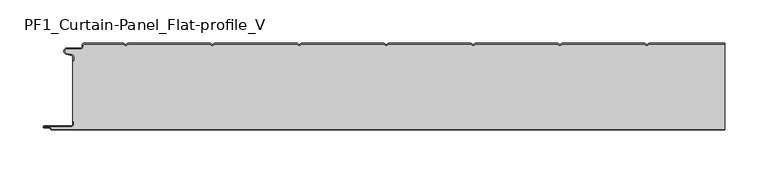
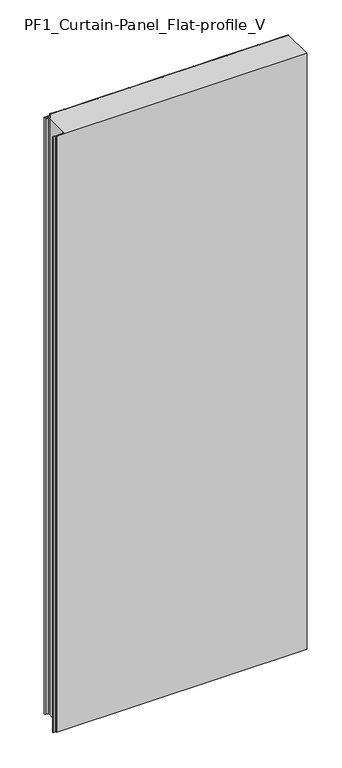
"""IFC4 building model written with IfcOpenShell, lengths in millimetres: plate geometry, PF1_Curtain-Panel_Flat-profile_V."""

from ifc_helpers import new_model, si_unit, point, frame_2d, origin, origin_with_axes, place, context, project, spatial, polyline, circle_curve, trimmed, segment, composite_curve, outline, extrude, source, transform, mapped, element, save


def pf1_curtain_panel_flat_profile_v_80dd7b72(model_context):
    return source(origin(), model_context, "Body", "SweptSolid", [
        extrude(outline(composite_curve([segment(trimmed(circle_curve(frame_2d((-377.0119739, -15.878557)), 2.0), [point((-375.0119739, -15.878557))], [point((-376.5620718, -13.9298169))], True, "CARTESIAN"), True, "CONTINUOUS"), segment(polyline([(-376.5620718, -13.9298169), (-382.7217978, -12.507732)]), True, "CONTINUOUS"), segment(trimmed(circle_curve(frame_2d((-381.9119739, -9.0)), 3.6), [point((-382.7217978, -12.507732))], [point((-381.9119739, -5.4))], False, "CARTESIAN"), True, "CONTINUOUS"), segment(polyline([(-381.9119739, -5.4), (-366.4119739, -5.4)]), True, "CONTINUOUS"), segment(trimmed(circle_curve(frame_2d((-366.4119739, -3.4)), 2.0), [point((-366.4119739, -5.4))], [point((-364.4119739, -3.4))], True, "CARTESIAN"), True, "CONTINUOUS"), segment(polyline([(-364.4119739, -3.4), (-364.4119739, -2.0)]), True, "CONTINUOUS"), segment(trimmed(circle_curve(frame_2d((-362.4119739, -2.0)), 2.0), [point((-364.4119739, -2.0))], [point((-362.4119739, 0.0))], False, "CARTESIAN"), True, "CONTINUOUS"), segment(polyline([(-362.4119739, 0.0), (-317.1119734, 0.0), (-314.4119739, -1.5588455), (-311.7119745, 0.0), (-217.1119734, 0.0), (-214.4119739, -1.5588455), (-211.7119745, 0.0), (-117.1119734, 0.0), (-114.4119739, -1.5588455), (-111.7119745, 0.0), (-17.1119734, 0.0), (-14.4119739, -1.5588455), (-11.7119745, 0.0), (82.8880266, 0.0), (85.5880261, -1.5588455), (88.2880255, 0.0), (182.8880266, 0.0), (185.5880261, -1.5588455), (188.2880255, 0.0), (282.8880266, 0.0), (285.5880261, -1.5588455), (288.2880255, 0.0), (375.0119739, 0.0), (375.0119739, -0.8), (288.5023849, -0.8), (285.5880261, -2.482606), (282.6736672, -0.8), (188.5023849, -0.8), (185.5880261, -2.482606), (182.6736672, -0.8), (88.5023849, -0.8), (85.5880261, -2.482606), (82.6736672, -0.8), (-11.4976151, -0.8), (-14.4119739, -2.482606), (-17.3263328, -0.8), (-111.4976151, -0.8), (-114.4119739, -2.482606), (-117.3263328, -0.8), (-211.4976151, -0.8), (-214.4119739, -2.482606), (-217.3263328, -0.8), (-311.4976151, -0.8), (-314.4119739, -2.482606), (-317.3263328, -0.8), (-362.4119739, -0.8)]), True, "CONTINUOUS"), segment(trimmed(circle_curve(frame_2d((-362.4119739, -2.0)), 1.2), [point((-362.4119739, -0.8))], [point((-363.6119739, -2.0))], True, "CARTESIAN"), True, "CONTINUOUS"), segment(polyline([(-363.6119739, -2.0), (-363.6119739, -3.4)]), True, "CONTINUOUS"), segment(trimmed(circle_curve(frame_2d((-366.4119739, -3.4)), 2.8), [point((-363.6119739, -3.4))], [point((-366.4119739, -6.2))], False, "CARTESIAN"), True, "CONTINUOUS"), segment(polyline([(-366.4119739, -6.2), (-381.9119739, -6.2)]), True, "CONTINUOUS"), segment(trimmed(circle_curve(frame_2d((-381.9119739, -9.0)), 2.8), [point((-381.9119739, -6.2))], [point((-382.541837, -11.7282362))], True, "CARTESIAN"), True, "CONTINUOUS"), segment(polyline([(-382.541837, -11.7282362), (-376.3821109, -13.150321)]), True, "CONTINUOUS"), segment(trimmed(circle_curve(frame_2d((-377.0119739, -15.878557)), 2.8), [point((-376.3821109, -13.150321))], [point((-374.2119739, -15.878557))], False, "CARTESIAN"), True, "CONTINUOUS"), segment(polyline([(-374.2119739, -15.878557), (-374.2119739, -20.0), (-375.0119739, -20.0), (-375.0119739, -15.878557)]), True, "CONTINUOUS")], self_intersect=False)), origin_with_axes(), (0.0, 0.0, 1.0), 1945.7507136),
        extrude(outline(composite_curve([segment(polyline([(-374.2119739, -90.0), (-375.0119739, -90.0), (-375.0119739, -20.0), (-374.2119739, -20.0), (-374.2119739, -15.878557)]), True, "CONTINUOUS"), segment(trimmed(circle_curve(frame_2d((-377.0119739, -15.878557)), 2.8), [point((-374.2119739, -15.878557))], [point((-376.3821109, -13.1503208))], True, "CARTESIAN"), True, "CONTINUOUS"), segment(polyline([(-376.3821109, -13.1503208), (-382.5418369, -11.7282362)]), True, "CONTINUOUS"), segment(trimmed(circle_curve(frame_2d((-381.9119739, -9.0)), 2.8), [point((-382.5418369, -11.7282362))], [point((-381.9119739, -6.2))], False, "CARTESIAN"), True, "CONTINUOUS"), segment(polyline([(-381.9119739, -6.2), (-366.4119739, -6.2)]), True, "CONTINUOUS"), segment(trimmed(circle_curve(frame_2d((-366.4119739, -3.4)), 2.8), [point((-366.4119739, -6.2))], [point((-363.6119739, -3.4))], True, "CARTESIAN"), True, "CONTINUOUS"), segment(polyline([(-363.6119739, -3.4), (-363.6119739, -2.0)]), True, "CONTINUOUS"), segment(trimmed(circle_curve(frame_2d((-362.4119739, -2.0)), 1.2), [point((-363.6119739, -2.0))], [point((-362.4119739, -0.8))], False, "CARTESIAN"), True, "CONTINUOUS"), segment(polyline([(-362.4119739, -0.8), (-317.3263328, -0.8), (-314.4119739, -2.482606), (-311.4976151, -0.8), (-217.3263328, -0.8), (-214.4119739, -2.482606), (-211.4976151, -0.8), (-117.3263328, -0.8), (-114.4119739, -2.482606), (-111.4976151, -0.8), (-17.3263328, -0.8), (-14.4119739, -2.482606), (-11.4976151, -0.8), (82.6736672, -0.8), (85.5880261, -2.482606), (88.5023849, -0.8), (182.6736672, -0.8), (185.5880261, -2.482606), (188.5023849, -0.8), (282.6736672, -0.8), (285.5880261, -2.482606), (288.5023849, -0.8), (375.0119739, -0.8), (375.0119739, -99.2), (-399.4119739, -99.2)]), True, "CONTINUOUS"), segment(trimmed(circle_curve(frame_2d((-399.4119739, -98.4)), 0.8), [point((-399.4119739, -99.2))], [point((-400.2119739, -98.4))], False, "CARTESIAN"), True, "CONTINUOUS"), segment(trimmed(circle_curve(frame_2d((-401.9119739, -98.6133333)), 1.7133333), [point((-400.2119739, -98.4))], [point((-401.9119739, -96.9))], True, "CARTESIAN"), True, "CONTINUOUS"), segment(polyline([(-401.9119739, -96.9), (-407.8820051, -96.9)]), True, "CONTINUOUS"), segment(trimmed(circle_curve(frame_2d((-407.8820051, -96.6)), 0.3), [point((-407.8820051, -96.9))], [point((-407.8820051, -96.3))], False, "CARTESIAN"), True, "CONTINUOUS"), segment(polyline([(-407.8820051, -96.3), (-377.0119739, -96.3)]), True, "CONTINUOUS"), segment(trimmed(circle_curve(frame_2d((-377.0119739, -93.5)), 2.8), [point((-377.0119739, -96.3))], [point((-374.2119739, -93.5))], True, "CARTESIAN"), True, "CONTINUOUS"), segment(polyline([(-374.2119739, -93.5), (-374.2119739, -90.0)]), True, "CONTINUOUS")], self_intersect=False)), origin_with_axes(), (0.0, 0.0, 1.0), 1945.7507136),
        extrude(outline(composite_curve([segment(polyline([(-375.0119739, -90.0), (-374.2119739, -90.0), (-374.2119739, -93.5)]), True, "CONTINUOUS"), segment(trimmed(circle_curve(frame_2d((-377.0119739, -93.5)), 2.8), [point((-374.2119739, -93.5))], [point((-377.0119739, -96.3))], False, "CARTESIAN"), True, "CONTINUOUS"), segment(polyline([(-377.0119739, -96.3), (-407.8820051, -96.3)]), True, "CONTINUOUS"), segment(trimmed(circle_curve(frame_2d((-407.8820051, -96.6)), 0.3), [point((-407.8820051, -96.3))], [point((-407.8820051, -96.9))], True, "CARTESIAN"), True, "CONTINUOUS"), segment(polyline([(-407.8820051, -96.9), (-401.9119739, -96.9)]), True, "CONTINUOUS"), segment(trimmed(circle_curve(frame_2d((-401.9119739, -98.6133333)), 1.7133333), [point((-401.9119739, -96.9))], [point((-400.2119739, -98.4))], False, "CARTESIAN"), True, "CONTINUOUS"), segment(trimmed(circle_curve(frame_2d((-399.4119739, -98.4)), 0.8), [point((-400.2119739, -98.4))], [point((-399.4119739, -99.2))], True, "CARTESIAN"), True, "CONTINUOUS"), segment(polyline([(-399.4119739, -99.2), (375.0119739, -99.2), (375.0119739, -100.0), (-399.4119739, -100.0)]), True, "CONTINUOUS"), segment(trimmed(circle_curve(frame_2d((-399.4119739, -98.4)), 1.6), [point((-399.4119739, -100.0))], [point((-401.0119739, -98.4))], False, "CARTESIAN"), True, "CONTINUOUS"), segment(trimmed(circle_curve(frame_2d((-401.9119739, -98.4)), 0.9), [point((-401.0119739, -98.4))], [point((-401.9119739, -97.5))], True, "CARTESIAN"), True, "CONTINUOUS"), segment(polyline([(-401.9119739, -97.5), (-408.0119739, -97.5)]), True, "CONTINUOUS"), segment(trimmed(circle_curve(frame_2d((-408.0119739, -96.5)), 1.0), [point((-408.0119739, -97.5))], [point((-408.0119739, -95.5))], False, "CARTESIAN"), True, "CONTINUOUS"), segment(polyline([(-408.0119739, -95.5), (-377.0119739, -95.5)]), True, "CONTINUOUS"), segment(trimmed(circle_curve(frame_2d((-377.0119739, -93.5)), 2.0), [point((-377.0119739, -95.5))], [point((-375.0119739, -93.5))], True, "CARTESIAN"), True, "CONTINUOUS"), segment(polyline([(-375.0119739, -93.5), (-375.0119739, -90.0)]), True, "CONTINUOUS")], self_intersect=False)), origin_with_axes(), (0.0, 0.0, 1.0), 1945.7507136),
    ])


if __name__ == "__main__":
    model = new_model("IFC4")
    model_context = context("Model", 3, world=origin())
    ifc_project = project(units=[si_unit("LENGTHUNIT", "METRE", prefix="MILLI")], contexts=[model_context])
    site = spatial("IfcSite", under=ifc_project)
    building = spatial("IfcBuilding", under=site)
    placement = place(None, origin())
    pf1_curtain_panel_flat_profile_v_shape = pf1_curtain_panel_flat_profile_v_80dd7b72(model_context)
    element("IfcPlate", 1, ObjectType="PF1_Curtain-Panel_Flat-profile_V", at=placement, inside=building, context=model_context, shape_type="MappedRepresentation", body=[
        mapped(pf1_curtain_panel_flat_profile_v_shape, transform((0.0, 0.0, 0.0), x_axis=(1.0, 0.0, 0.0), y_axis=(0.0, 1.0, 0.0), z_axis=(0.0, 0.0, 1.0))),
    ])
    save(model, "model.ifc")
